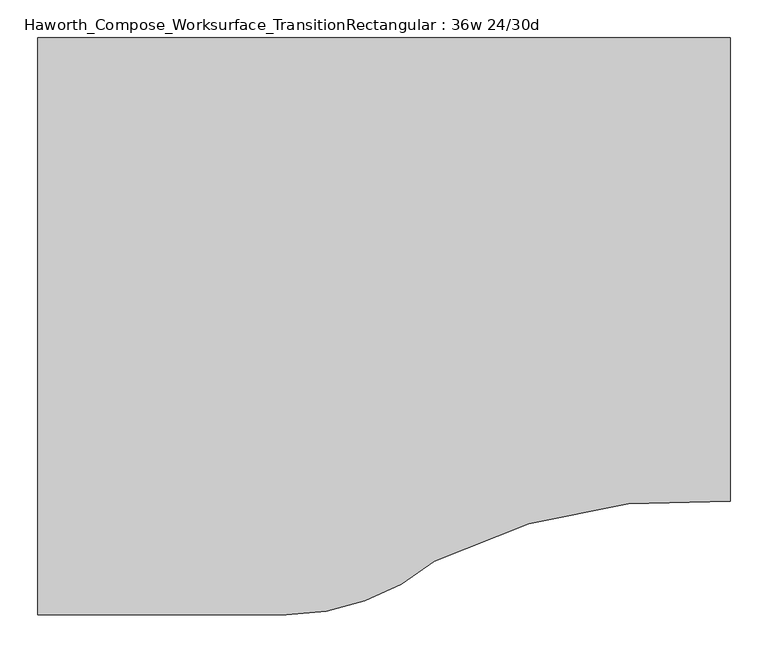
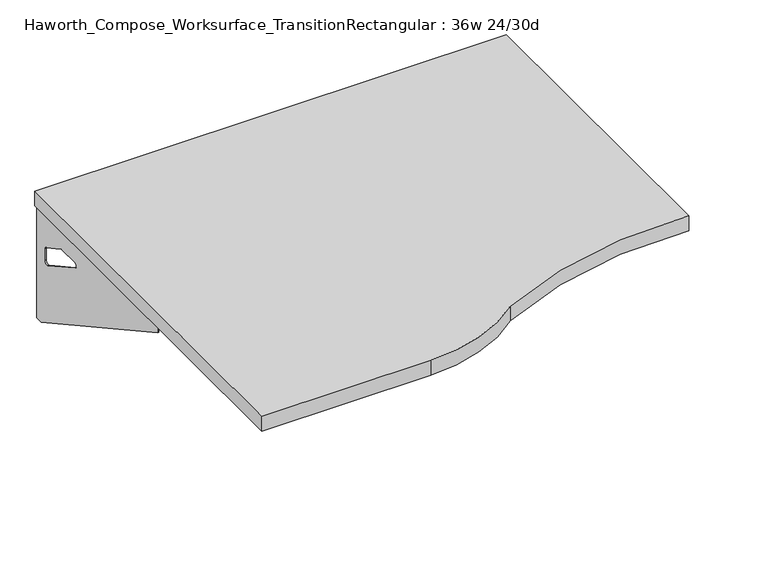
"""IFC4 building model written with IfcOpenShell, lengths in millimetres: furniture geometry, Haworth_Compose_Worksurface_TransitionRectangular : 36w 24/30d."""

from ifc_helpers import new_model, si_unit, point, frame, frame_2d, origin, place, context, project, spatial, polyline, circle_curve, trimmed, segment, composite_curve, outline, extrude, source, transform, mapped, element, save
from ifc_brep_helpers import plane_surface, revolved_surface, advanced_brep


def haworth_compose_worksurface_transitionrectangular_36w_24_30d_d9948e84(model_context):
    return source(origin(), model_context, "Body", "SolidModel", [
        advanced_brep(
        [(432.59375, 228.6, 475.45625), (432.59375, 212.725, 475.45625), (432.59375, -177.8, 691.7192568), (432.59375, -177.8, 704.05625), (432.59375, 212.725, 704.05625), (432.59375, 228.6, 704.05625), (432.59375, 145.290072, 665.95625), (432.59375, 101.6355284, 665.95625), (432.59375, 98.9564235, 656.3705539), (432.59375, 190.6776173, 605.5776439), (432.59375, 200.025, 611.1756969), (432.59375, 200.025, 634.6860246), (432.59375, 198.2730055, 637.5242776), (432.59375, 148.3663437, 665.1613425), (434.975, 228.6, 475.45625), (434.975, 228.6, 704.05625), (434.975, 212.725, 704.05625), (434.975, 212.725, 706.4375), (434.975, -177.8, 706.4375), (434.975, -177.8, 691.7192568), (434.975, 212.725, 475.45625), (434.975, 145.290072, 665.95625), (434.975, 148.3663437, 665.1613425), (434.975, 198.2730055, 637.5242776), (434.975, 200.025, 634.6860246), (434.975, 200.025, 611.1756969), (434.975, 190.6776173, 605.5776439), (434.975, 98.9564235, 656.3705539), (434.975, 101.6355284, 665.95625), (393.7, -177.8, 706.4375), (393.7, -177.8, 704.05625), (393.7, 212.725, 704.05625), (393.7, 212.725, 706.4375)],
        [
            (0, 1),
            (1, 2),
            (2, 3),
            (3, 4),
            (4, 5),
            (5, 0),
            (6, 7),
            (7, 8, circle_curve(frame((432.59375, 101.6355284, 660.7890106), z_axis=(1.0, 0.0, 0.0), x_axis=(0.0, -1.0, 0.0)), 5.1672394)),
            (8, 9),
            (9, 10, circle_curve(frame((432.59375, 193.675, 611.1756969), z_axis=(1.0, 0.0, 0.0), x_axis=(0.0, -1.0, 0.0)), 6.35)),
            (10, 11),
            (11, 12, circle_curve(frame((432.59375, 196.85, 634.6860246), z_axis=(1.0, 0.0, 0.0), x_axis=(0.0, -1.0, 0.0)), 3.175)),
            (12, 13),
            (13, 6, circle_curve(frame((432.59375, 145.290072, 659.60625), z_axis=(1.0, 0.0, 0.0), x_axis=(0.0, -1.0, 0.0)), 6.35)),
            (14, 15),
            (15, 16),
            (16, 17),
            (17, 18),
            (18, 19),
            (19, 20),
            (20, 14),
            (21, 22, circle_curve(frame((434.975, 145.290072, 659.60625), z_axis=(-1.0, 0.0, 0.0), x_axis=(0.0, -1.0, 0.0)), 6.35)),
            (22, 23),
            (23, 24, circle_curve(frame((434.975, 196.85, 634.6860246), z_axis=(-1.0, 0.0, 0.0), x_axis=(0.0, -1.0, 0.0)), 3.175)),
            (24, 25),
            (25, 26, circle_curve(frame((434.975, 193.675, 611.1756969), z_axis=(-1.0, 0.0, 0.0), x_axis=(0.0, -1.0, 0.0)), 6.35)),
            (26, 27),
            (27, 28, circle_curve(frame((434.975, 101.6355284, 660.7890106), z_axis=(-1.0, 0.0, 0.0), x_axis=(0.0, -1.0, 0.0)), 5.1672394)),
            (28, 21),
            (4, 16),
            (15, 5),
            (14, 0),
            (20, 1),
            (19, 2),
            (18, 29),
            (29, 30),
            (30, 3),
            (6, 21),
            (28, 7),
            (9, 26),
            (25, 10),
            (24, 11),
            (23, 12),
            (27, 8),
            (31, 4),
            (30, 31),
            (32, 29),
            (17, 32),
            (31, 32),
            (22, 13),
        ],
        [
            plane_surface(frame((432.59375, 228.6, 475.45625), z_axis=(-1.0, 0.0, 0.0), x_axis=(0.0, 1.0, 0.0))),
            plane_surface(frame((434.975, 228.6, 475.45625), z_axis=(1.0, 0.0, 0.0), x_axis=(0.0, -1.0, 0.0))),
            plane_surface(frame((434.975, -177.8, 704.05625), z_axis=(0.0, 0.0, 1.0), x_axis=(-1.0, 0.0, 0.0))),
            plane_surface(frame((434.975, 228.6, 704.05625), z_axis=(0.0, 1.0, 0.0), x_axis=(-1.0, 0.0, 0.0))),
            plane_surface(frame((434.975, 228.6, 475.45625), z_axis=(0.0, 0.0, -1.0), x_axis=(-1.0, 0.0, 0.0))),
            plane_surface(frame((434.975, 212.725, 475.45625), z_axis=(0.0, -0.48445223513455843, -0.8748177135112952), x_axis=(-1.0, 0.0, 0.0))),
            plane_surface(frame((434.975, -177.8, 691.7192568), z_axis=(0.0, -1.0, 0.0), x_axis=(-1.0, 0.0, 0.0))),
            plane_surface(frame((434.975, 145.290072, 665.95625), z_axis=(0.0, 0.0, -1.0), x_axis=(-1.0, 0.0, 0.0))),
            revolved_surface(polyline([(432.59375, 187.32500000000002, 611.1756969), (434.975, 187.32500000000002, 611.1756969)]), (434.975, 193.675, 611.1756969), (-1.0, 0.0, 0.0)),
            plane_surface(frame((434.975, 200.025, 611.1756969), z_axis=(0.0, -1.0, 0.0), x_axis=(-1.0, 0.0, 0.0))),
            revolved_surface(polyline([(432.59375, 193.67499999999998, 634.6860246), (434.975, 193.67499999999998, 634.6860246)]), (434.975, 196.85, 634.6860246), (-1.0, 0.0, 0.0)),
            revolved_surface(polyline([(432.59375, 96.468289, 660.7890106), (434.975, 96.468289, 660.7890106)]), (434.975, 101.6355284, 660.7890106), (-1.0, 0.0, 0.0)),
            plane_surface(frame((434.975, 212.725, 704.05625), z_axis=(0.0, 0.0, -1.0), x_axis=(-1.0, 0.0, 0.0))),
            plane_surface(frame((434.975, 212.725, 706.4375), z_axis=(0.0, 0.0, 1.0), x_axis=(1.0, 0.0, 0.0))),
            plane_surface(frame((393.7, 212.725, 706.4375), z_axis=(0.0, 1.0, 0.0), x_axis=(0.0, 0.0, -1.0))),
            plane_surface(frame((393.7, -177.8, 706.4375), z_axis=(-1.0, 0.0, 0.0), x_axis=(0.0, 0.0, -1.0))),
            plane_surface(frame((434.975, 98.9564235, 656.3705539), z_axis=(0.0, 0.4844522351345583, 0.8748177135112953), x_axis=(-1.0, 0.0, 0.0))),
            plane_surface(frame((434.975, 198.2730055, 637.5242776), z_axis=(0.0, -0.4844522351345582, -0.8748177135112953), x_axis=(-1.0, 0.0, 0.0))),
            revolved_surface(polyline([(432.59375, 138.94007200000001, 659.60625), (434.975, 138.94007200000001, 659.60625)]), (434.975, 145.290072, 659.60625), (-1.0, 0.0, 0.0)),
        ],
        [
            (0, [[1, 2, 3, 4, 5, 6], [7, 8, 9, 10, 11, 12, 13, 14]]),
            (1, [[15, 16, 17, 18, 19, 20, 21], [22, 23, 24, 25, 26, 27, 28, 29]]),
            (2, [[-5, 30, -16, 31]]),
            (3, [[-31, -15, 32, -6]]),
            (4, [[-32, -21, 33, -1]]),
            (5, [[-33, -20, 34, -2]]),
            (6, [[-34, -19, 35, 36, 37, -3]]),
            (7, [[38, -29, 39, -7]]),
            (8, [[40, -26, 41, -10]]),
            (9, [[-41, -25, 42, -11]]),
            (10, [[-42, -24, 43, -12]]),
            (11, [[-39, -28, 44, -8]]),
            (12, [[45, -4, -37, 46]]),
            (13, [[47, -35, -18, 48]]),
            (14, [[-17, -30, -45, 49, -48]]),
            (15, [[-36, -47, -49, -46]]),
            (16, [[-44, -27, -40, -9]]),
            (17, [[-43, -23, 50, -13]]),
            (18, [[-50, -22, -38, -14]]),
        ],
    ),
        advanced_brep(
        [(-470.69375, 228.6, 475.45625), (-470.69375, 228.6, 704.05625), (-470.69375, 212.725, 704.05625), (-470.69375, -177.8, 704.05625), (-470.69375, -177.8, 691.7192568), (-470.69375, 212.725, 475.45625), (-470.69375, 145.290072, 665.95625), (-470.69375, 148.3663437, 665.1613425), (-470.69375, 198.2730055, 637.5242776), (-470.69375, 200.025, 634.6860246), (-470.69375, 200.025, 611.1756969), (-470.69375, 190.6776173, 605.5776439), (-470.69375, 98.9564235, 656.3705539), (-470.69375, 101.6355284, 665.95625), (-473.075, 228.6, 475.45625), (-473.075, 212.725, 475.45625), (-473.075, -177.8, 691.7192568), (-473.075, -177.8, 706.4375), (-473.075, 212.725, 706.4375), (-473.075, 212.725, 704.05625), (-473.075, 228.6, 704.05625), (-473.075, 145.290072, 665.95625), (-473.075, 101.6355284, 665.95625), (-473.075, 98.9564235, 656.3705539), (-473.075, 190.6776173, 605.5776439), (-473.075, 200.025, 611.1756969), (-473.075, 200.025, 634.6860246), (-473.075, 198.2730055, 637.5242776), (-473.075, 148.3663437, 665.1613425), (-431.8, -177.8, 704.05625), (-431.8, -177.8, 706.4375), (-431.8, 212.725, 704.05625), (-431.8, 212.725, 706.4375)],
        [
            (0, 1),
            (1, 2),
            (2, 3),
            (3, 4),
            (4, 5),
            (5, 0),
            (6, 7, circle_curve(frame((-470.69375, 145.290072, 659.60625), z_axis=(-1.0, 0.0, 0.0), x_axis=(0.0, -1.0, 0.0)), 6.35)),
            (7, 8),
            (8, 9, circle_curve(frame((-470.69375, 196.85, 634.6860246), z_axis=(-1.0, 0.0, 0.0), x_axis=(0.0, -1.0, 0.0)), 3.175)),
            (9, 10),
            (10, 11, circle_curve(frame((-470.69375, 193.675, 611.1756969), z_axis=(-1.0, 0.0, 0.0), x_axis=(0.0, -1.0, 0.0)), 6.35)),
            (11, 12),
            (12, 13, circle_curve(frame((-470.69375, 101.6355284, 660.7890106), z_axis=(-1.0, 0.0, 0.0), x_axis=(0.0, -1.0, 0.0)), 5.1672394)),
            (13, 6),
            (14, 15),
            (15, 16),
            (16, 17),
            (17, 18),
            (18, 19),
            (19, 20),
            (20, 14),
            (21, 22),
            (22, 23, circle_curve(frame((-473.075, 101.6355284, 660.7890106), z_axis=(1.0, 0.0, 0.0), x_axis=(0.0, -1.0, 0.0)), 5.1672394)),
            (23, 24),
            (24, 25, circle_curve(frame((-473.075, 193.675, 611.1756969), z_axis=(1.0, 0.0, 0.0), x_axis=(0.0, -1.0, 0.0)), 6.35)),
            (25, 26),
            (26, 27, circle_curve(frame((-473.075, 196.85, 634.6860246), z_axis=(1.0, 0.0, 0.0), x_axis=(0.0, -1.0, 0.0)), 3.175)),
            (27, 28),
            (28, 21, circle_curve(frame((-473.075, 145.290072, 659.60625), z_axis=(1.0, 0.0, 0.0), x_axis=(0.0, -1.0, 0.0)), 6.35)),
            (1, 20),
            (19, 2),
            (0, 14),
            (5, 15),
            (4, 16),
            (3, 29),
            (29, 30),
            (30, 17),
            (13, 22),
            (21, 6),
            (10, 25),
            (24, 11),
            (9, 26),
            (8, 27),
            (12, 23),
            (31, 29),
            (2, 31),
            (32, 18),
            (30, 32),
            (32, 31),
            (7, 28),
        ],
        [
            plane_surface(frame((-470.69375, 228.6, 475.45625), z_axis=(1.0, 0.0, 0.0), x_axis=(0.0, 1.0, 0.0))),
            plane_surface(frame((-473.075, 228.6, 475.45625), z_axis=(-1.0, 0.0, 0.0), x_axis=(0.0, -1.0, 0.0))),
            plane_surface(frame((-473.075, -177.8, 704.05625), z_axis=(0.0, 0.0, 1.0), x_axis=(1.0, 0.0, 0.0))),
            plane_surface(frame((-473.075, 228.6, 704.05625), z_axis=(0.0, 1.0, 0.0), x_axis=(1.0, 0.0, 0.0))),
            plane_surface(frame((-473.075, 228.6, 475.45625), z_axis=(0.0, 0.0, -1.0), x_axis=(1.0, 0.0, 0.0))),
            plane_surface(frame((-473.075, 212.725, 475.45625), z_axis=(0.0, -0.48445223513455843, -0.8748177135112952), x_axis=(1.0, 0.0, 0.0))),
            plane_surface(frame((-473.075, -177.8, 691.7192568), z_axis=(0.0, -1.0, 0.0), x_axis=(1.0, 0.0, 0.0))),
            plane_surface(frame((-473.075, 145.290072, 665.95625), z_axis=(0.0, 0.0, -1.0), x_axis=(1.0, 0.0, 0.0))),
            revolved_surface(polyline([(-470.69375, 187.32500000000002, 611.1756969), (-473.075, 187.32500000000002, 611.1756969)]), (-473.075, 193.675, 611.1756969), (1.0, 0.0, 0.0)),
            plane_surface(frame((-473.075, 200.025, 611.1756969), z_axis=(0.0, -1.0, 0.0), x_axis=(1.0, 0.0, 0.0))),
            revolved_surface(polyline([(-470.69375, 193.67499999999998, 634.6860246), (-473.075, 193.67499999999998, 634.6860246)]), (-473.075, 196.85, 634.6860246), (1.0, 0.0, 0.0)),
            revolved_surface(polyline([(-470.69375, 96.468289, 660.7890106), (-473.075, 96.468289, 660.7890106)]), (-473.075, 101.6355284, 660.7890106), (1.0, 0.0, 0.0)),
            plane_surface(frame((-473.075, 212.725, 704.05625), z_axis=(0.0, 0.0, -1.0), x_axis=(1.0, 0.0, 0.0))),
            plane_surface(frame((-473.075, 212.725, 706.4375), z_axis=(0.0, 0.0, 1.0), x_axis=(-1.0, 0.0, 0.0))),
            plane_surface(frame((-431.8, 212.725, 706.4375), z_axis=(0.0, 1.0, 0.0), x_axis=(0.0, 0.0, -1.0))),
            plane_surface(frame((-431.8, -177.8, 706.4375), z_axis=(1.0, 0.0, 0.0), x_axis=(0.0, 0.0, -1.0))),
            plane_surface(frame((-473.075, 98.9564235, 656.3705539), z_axis=(0.0, 0.4844522351345583, 0.8748177135112953), x_axis=(1.0, 0.0, 0.0))),
            plane_surface(frame((-473.075, 198.2730055, 637.5242776), z_axis=(0.0, -0.4844522351345582, -0.8748177135112953), x_axis=(1.0, 0.0, 0.0))),
            revolved_surface(polyline([(-470.69375, 138.94007200000001, 659.60625), (-473.075, 138.94007200000001, 659.60625)]), (-473.075, 145.290072, 659.60625), (1.0, 0.0, 0.0)),
        ],
        [
            (0, [[1, 2, 3, 4, 5, 6], [7, 8, 9, 10, 11, 12, 13, 14]]),
            (1, [[15, 16, 17, 18, 19, 20, 21], [22, 23, 24, 25, 26, 27, 28, 29]]),
            (2, [[30, -20, 31, -2]]),
            (3, [[-1, 32, -21, -30]]),
            (4, [[-6, 33, -15, -32]]),
            (5, [[-5, 34, -16, -33]]),
            (6, [[-4, 35, 36, 37, -17, -34]]),
            (7, [[-14, 38, -22, 39]]),
            (8, [[-11, 40, -25, 41]]),
            (9, [[-10, 42, -26, -40]]),
            (10, [[-9, 43, -27, -42]]),
            (11, [[-13, 44, -23, -38]]),
            (12, [[45, -35, -3, 46]]),
            (13, [[47, -18, -37, 48]]),
            (14, [[-47, 49, -46, -31, -19]]),
            (15, [[-45, -49, -48, -36]]),
            (16, [[-12, -41, -24, -44]]),
            (17, [[-8, 50, -28, -43]]),
            (18, [[-7, -39, -29, -50]]),
        ],
    ),
        extrude(outline(composite_curve([segment(trimmed(circle_curve(frame_2d((387.9964534, -1144.0111083)), 762.0), [point((438.15, -383.6634103))], [point((47.1526417, -462.4911188))], True, "CARTESIAN"), True, "CONTINUOUS"), segment(trimmed(circle_curve(frame_2d((-148.2904051, -228.6)), 304.8), [point((47.1526417, -462.4911188))], [point((-148.2904051, -533.4))], False, "CARTESIAN"), True, "CONTINUOUS"), segment(polyline([(-148.2904051, -533.4), (-476.25, -533.4), (-476.25, 228.6), (438.15, 228.6), (438.15, -383.6634103)]), True, "CONTINUOUS")], self_intersect=False)), frame((0.0, 0.0, 706.4375), z_axis=(0.0, 0.0, 1.0), x_axis=(1.0, 0.0, 0.0)), (0.0, 0.0, 1.0), 30.1625),
    ])


if __name__ == "__main__":
    model = new_model("IFC4")
    model_context = context("Model", 3, world=origin())
    ifc_project = project(units=[si_unit("LENGTHUNIT", "METRE", prefix="MILLI")], contexts=[model_context])
    site = spatial("IfcSite", under=ifc_project)
    building = spatial("IfcBuilding", under=site)
    placement = place(None, origin())
    haworth_compose_worksurface_transitionrectangular_36w_24_30d_shape = haworth_compose_worksurface_transitionrectangular_36w_24_30d_d9948e84(model_context)
    element("IfcFurniture", 1, ObjectType="Haworth_Compose_Worksurface_TransitionRectangular : 36w 24/30d", at=placement, inside=building, context=model_context, shape_type="MappedRepresentation", body=[
        mapped(haworth_compose_worksurface_transitionrectangular_36w_24_30d_shape, transform((0.0, 0.0, 0.0), x_axis=(1.0, 0.0, 0.0), y_axis=(0.0, 1.0, 0.0), z_axis=(0.0, 0.0, 1.0))),
    ])
    save(model, "model.ifc")
